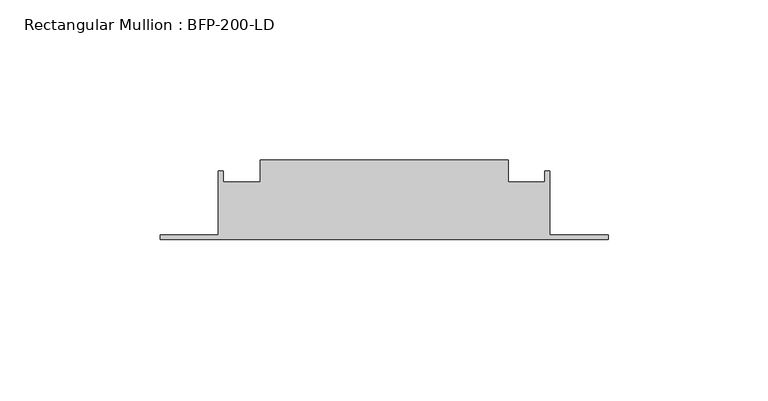
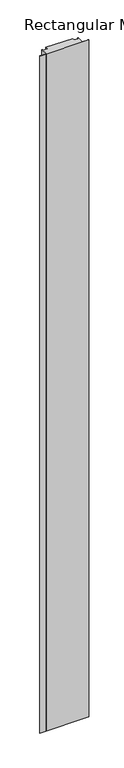
"""IFC4 building model written with IfcOpenShell, lengths in millimetres: member geometry, Rectangular Mullion : BFP-200-LD."""

from ifc_helpers import new_model, si_unit, frame, origin, place, context, project, spatial, polyline, outline, extrude, source, transform, mapped, element, save


def rectangular_mullion_bfp_200_ld_8837d083(model_context):
    return source(origin(), model_context, "Body", "SweptSolid", [
        extrude(outline(polyline([(-31.25, 45.0), (-31.25, 38.0), (-19.75, 38.0), (-19.75, 41.5), (-18.25, 41.5), (-18.25, 21.5), (0.0, 21.5), (0.0, 20.0), (-140.0, 20.0), (-140.0, 21.5), (-121.75, 21.5), (-121.75, 41.5), (-120.25, 41.5), (-120.25, 38.0), (-108.75, 38.0), (-108.75, 45.0), (-31.25, 45.0)])), frame((0.0, 0.0, -2050.0), z_axis=(0.0, 0.0, 1.0), x_axis=(1.0, 0.0, 0.0)), (0.0, 0.0, 1.0), 2050.0),
    ])


if __name__ == "__main__":
    model = new_model("IFC4")
    model_context = context("Model", 3, world=origin())
    ifc_project = project(units=[si_unit("LENGTHUNIT", "METRE", prefix="MILLI")], contexts=[model_context])
    site = spatial("IfcSite", under=ifc_project)
    building = spatial("IfcBuilding", under=site)
    placement = place(None, origin())
    rectangular_mullion_bfp_200_ld_shape = rectangular_mullion_bfp_200_ld_8837d083(model_context)
    element("IfcMember", 1, ObjectType="Rectangular Mullion : BFP-200-LD", at=placement, inside=building, context=model_context, shape_type="MappedRepresentation", body=[
        mapped(rectangular_mullion_bfp_200_ld_shape, transform((0.0, 0.0, 0.0), x_axis=(1.0, 0.0, 0.0), y_axis=(0.0, 1.0, 0.0), z_axis=(0.0, 0.0, 1.0))),
    ])
    save(model, "model.ifc")
